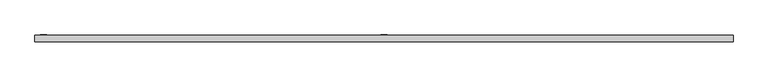
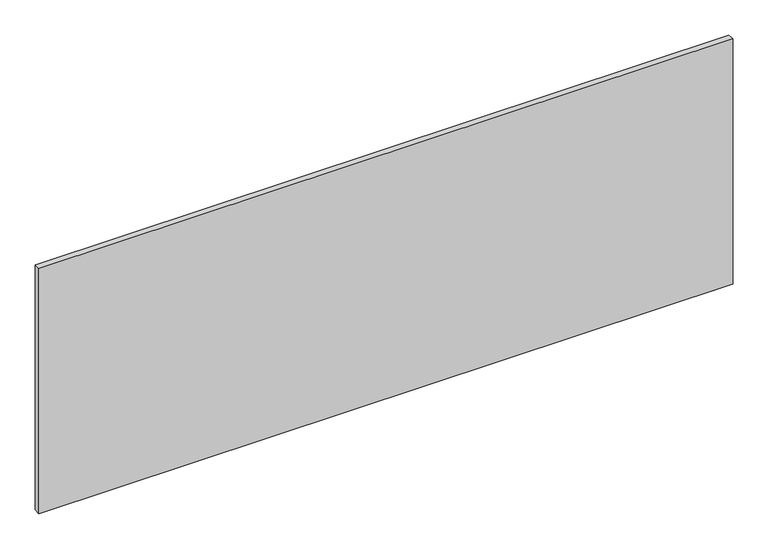
"""IFC4 building model written with IfcOpenShell, lengths in millimetres: furniture geometry."""

from ifc_helpers import new_model, si_unit, frame, origin, place, context, project, spatial, polyline, outline, extrude, source, transform, mapped, element, save


def furniture_a05800ae(model_context):
    return source(origin(), model_context, "Body", "SweptSolid", [
        extrude(outline(polyline([(3056.2488924, -11.8668799), (3057.525, -16.6293799), (3056.2488924, -21.391881), (3052.7625, -24.8782712), (3048.0, -26.154381), (3043.2375, -24.8782712), (3039.7511122, -21.391881), (3038.475, -16.6293799), (3039.7511122, -11.8668799), (3043.2375, -8.3804881), (3048.0, -7.1043799), (3052.7625, -8.3804881), (3056.2488924, -11.8668799)])), frame((0.0, 0.0, 20.0914001), z_axis=(0.0, 0.0, 1.0), x_axis=(1.0, 0.0, 0.0)), (0.0, 0.0, 1.0), 1.2699999),
        extrude(outline(polyline([(3042.5007354, -7.1043799), (3053.4992601, -7.1043799), (3058.9985247, -16.6293799), (3053.4992601, -26.154381), (3042.5007354, -26.154381), (3037.0014798, -16.6293799), (3042.5007354, -7.1043799)])), frame((0.0, 0.0, 16.129), z_axis=(0.0, 0.0, 1.0), x_axis=(1.0, 0.0, 0.0)), (0.0, 0.0, 1.0), 3.9624001),
        extrude(outline(polyline([(67.9511076, -11.8668799), (71.4375, -8.3804881), (76.2, -7.1043799), (80.9625, -8.3804881), (84.4488878, -11.8668799), (85.725, -16.6293799), (84.4488878, -21.391881), (80.9625, -24.8782712), (76.2, -26.154381), (71.4375, -24.8782712), (67.9511076, -21.391881), (66.675, -16.6293799), (67.9511076, -11.8668799)])), frame((0.0, 0.0, 20.0914001), z_axis=(0.0, 0.0, 1.0), x_axis=(1.0, 0.0, 0.0)), (0.0, 0.0, 1.0), 1.2699999),
        extrude(outline(polyline([(81.6992646, -7.1043799), (87.1985202, -16.6293799), (81.6992646, -26.154381), (70.7007399, -26.154381), (65.2014753, -16.6293799), (70.7007399, -7.1043799), (81.6992646, -7.1043799)])), frame((0.0, 0.0, 16.129), z_axis=(0.0, 0.0, 1.0), x_axis=(1.0, 0.0, 0.0)), (0.0, 0.0, 1.0), 3.9624001),
        extrude(outline(polyline([(1576.3875, -1.89738), (1547.8125, -1.89738), (1547.8125, 0.0), (1576.3875, 0.0), (1576.3875, -1.89738)])), frame((0.0, 0.0, 118.4910023), z_axis=(0.0, 0.0, 1.0), x_axis=(1.0, 0.0, 0.0)), (0.0, 0.0, 1.0), 365.2012096),
        extrude(outline(polyline([(52.3875, -1.89738), (23.8125, -1.89738), (23.8125, 0.0), (52.3875, 0.0), (52.3875, -1.89738)])), frame((0.0, 0.0, 118.4910023), z_axis=(0.0, 0.0, 1.0), x_axis=(1.0, 0.0, 0.0)), (0.0, 0.0, 1.0), 365.2012096),
        extrude(outline(polyline([(3124.2, -1.89738), (3124.2, -31.6153804), (0.0, -31.6153804), (0.0, -1.89738), (3124.2, -1.89738)])), frame((0.0, 0.0, 21.3614), z_axis=(0.0, 0.0, 1.0), x_axis=(1.0, 0.0, 0.0)), (0.0, 0.0, 1.0), 1167.1300156),
    ])


if __name__ == "__main__":
    model = new_model("IFC4")
    model_context = context("Model", 3, world=origin())
    ifc_project = project(units=[si_unit("LENGTHUNIT", "METRE", prefix="MILLI")], contexts=[model_context])
    site = spatial("IfcSite", under=ifc_project)
    building = spatial("IfcBuilding", under=site)
    placement = place(None, origin())
    furniture_shape = furniture_a05800ae(model_context)
    element("IfcFurniture", 1, at=placement, inside=building, context=model_context, shape_type="MappedRepresentation", body=[
        mapped(furniture_shape, transform((0.0, 0.0, 0.0), x_axis=(1.0, 0.0, 0.0), y_axis=(0.0, 1.0, 0.0), z_axis=(0.0, 0.0, 1.0))),
    ])
    save(model, "model.ifc")
